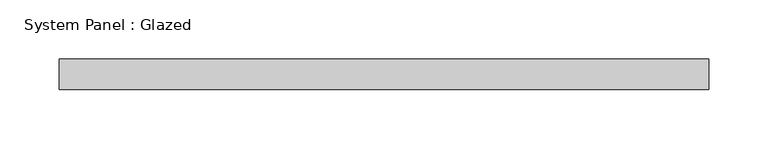
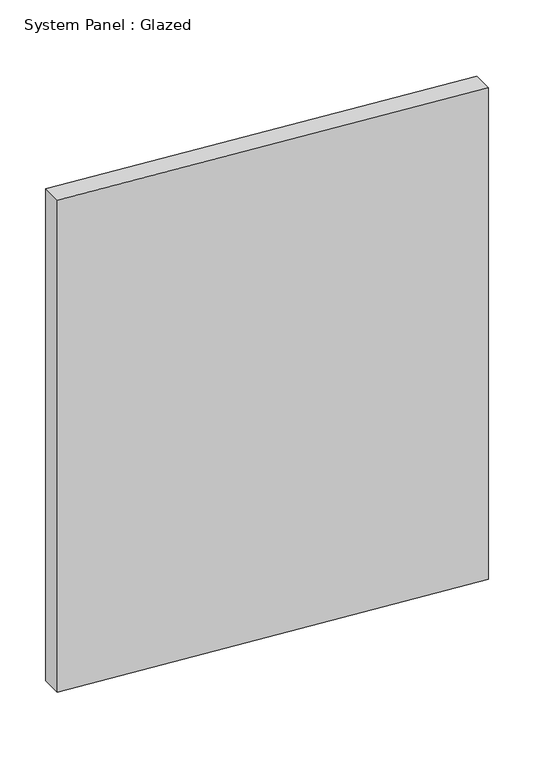
"""IFC4 building model written with IfcOpenShell, lengths in millimetres: plate geometry, System Panel : Glazed."""

import ifcopenshell
import ifcopenshell.guid

model = None  # the IFC model being written
_history = None  # IfcOwnerHistory: only IFC2X3 demands one
_inside = {}  # id of a spatial element -> (the spatial element, [elements in it])
_under = {}  # id of a project, library or spatial element -> (it, [spatial elements below it])
_declared = {}  # id of a project -> (the project, [libraries it declares])
_typed = {}  # id of a type object -> (the type object, [elements of that type])
_made_of = {}  # id of a material, layer set ... -> (it, [elements and type objects made of it])


def new_model(schema):
    """Start an empty IFC model of exactly this schema.

    Asked for "IFC4X3", IfcOpenShell would pick the latest addendum, in which some entities
    have other attributes; the version numbers below select the first issue.
    IFC2X3 requires an IfcOwnerHistory on every rooted entity: one is made here for all.
    """
    global model, _history
    if schema == "IFC4X3":
        model = ifcopenshell.file(schema_version=(4, 3, 0, 0))
    else:
        model = ifcopenshell.file(schema=schema)
    _inside.clear()
    _under.clear()
    _declared.clear()
    _typed.clear()
    _made_of.clear()
    _history = None
    if model.schema == "IFC2X3":
        org = make("IfcOrganization", Name="unknown")
        user = make(
            "IfcPersonAndOrganization",
            ThePerson=make("IfcPerson", FamilyName="unknown"),
            TheOrganization=org,
        )
        app = make(
            "IfcApplication",
            ApplicationDeveloper=org,
            Version="unknown",
            ApplicationFullName="unknown",
            ApplicationIdentifier="unknown",
        )
        _history = make(
            "IfcOwnerHistory",
            OwningUser=user,
            OwningApplication=app,
            ChangeAction="ADDED",
            CreationDate=0,
        )
    return model


def make(cls, **values):
    """One entity of the class cls with the attributes given. An attribute that is None is left unset."""
    return model.create_entity(
        cls, **{name: value for name, value in values.items() if value is not None}
    )


def rooted(cls, **values):
    """An entity with a GlobalId (a new one), such as an element, a storey or a relation."""
    return make(cls, GlobalId=ifcopenshell.guid.new(), OwnerHistory=_history, **values)


def si_unit(unit_type, name, prefix=None):
    """IfcSIUnit, for example si_unit("LENGTHUNIT", "METRE", prefix="MILLI")."""
    return make("IfcSIUnit", UnitType=unit_type, Prefix=prefix, Name=name)


def assignment(units):
    """IfcUnitAssignment: the units of a project."""
    return None if units is None else make("IfcUnitAssignment", Units=units)


def point(xyz):
    """IfcCartesianPoint."""
    return None if xyz is None else make("IfcCartesianPoint", Coordinates=xyz)


def direction(xyz):
    """IfcDirection."""
    return None if xyz is None else make("IfcDirection", DirectionRatios=xyz)


def frame(location, z_axis=None, x_axis=None):
    """IfcAxis2Placement3D, a coordinate frame: its origin and axes. An axis left out is left unset."""
    return make(
        "IfcAxis2Placement3D",
        Location=point(location),
        Axis=direction(z_axis),
        RefDirection=direction(x_axis),
    )


def origin():
    """The frame at (0, 0, 0) with its axes left unset."""
    return frame((0.0, 0.0, 0.0))


def place(relative_to, where):
    """IfcLocalPlacement: puts the frame where relative to a parent placement (None: the world)."""
    return make(
        "IfcLocalPlacement", PlacementRelTo=relative_to, RelativePlacement=where
    )


def context(
    kind, dimensions, precision=None, world=None, true_north=None, identifier=None
):
    """IfcGeometricRepresentationContext, for example the 3D "Model" context."""
    return make(
        "IfcGeometricRepresentationContext",
        ContextIdentifier=identifier,
        ContextType=kind,
        CoordinateSpaceDimension=dimensions,
        Precision=precision,
        WorldCoordinateSystem=world,
        TrueNorth=true_north,
    )


def project(units=None, contexts=None):
    """IfcProject with its units and contexts."""
    return rooted(
        "IfcProject",
        Name="project",
        RepresentationContexts=contexts,
        UnitsInContext=assignment(units),
    )


def spatial(cls, under=None, at=None, **own):
    """A site, building, storey or space (cls), placed at a placement, below another one or the project."""
    s = rooted(cls, ObjectPlacement=at, **own)
    if under is not None:
        _under.setdefault(under.id(), (under, []))[1].append(s)
    return s


def polyline(points):
    """IfcPolyline through the points."""
    return make("IfcPolyline", Points=[point(p) for p in points])


def outline(outer, holes=None, kind="AREA"):
    """IfcArbitraryClosedProfileDef: a profile drawn as a closed curve; with holes, ...WithVoids."""
    if holes is None:
        return make("IfcArbitraryClosedProfileDef", ProfileType=kind, OuterCurve=outer)
    return make(
        "IfcArbitraryProfileDefWithVoids",
        ProfileType=kind,
        OuterCurve=outer,
        InnerCurves=holes,
    )


def extrude(swept, where, along, depth):
    """IfcExtrudedAreaSolid: the profile swept, set in the frame where, extruded along a direction by depth."""
    return make(
        "IfcExtrudedAreaSolid",
        SweptArea=swept,
        Position=where,
        ExtrudedDirection=direction(along),
        Depth=depth,
    )


def shape(context_of_items, identifier, shape_type, items):
    """IfcShapeRepresentation: the items that make up one representation, for example the "Body"."""
    return make(
        "IfcShapeRepresentation",
        ContextOfItems=context_of_items,
        RepresentationIdentifier=identifier,
        RepresentationType=shape_type,
        Items=items,
    )


def source(mapping_origin, context_of_items, identifier, shape_type, items):
    """IfcRepresentationMap: a shape defined once, which mapped items show again and again."""
    return make(
        "IfcRepresentationMap",
        MappingOrigin=mapping_origin,
        MappedRepresentation=shape(context_of_items, identifier, shape_type, items),
    )


def transform(
    local_origin,
    x_axis=None,
    y_axis=None,
    z_axis=None,
    scale=None,
    scale2=None,
    scale3=None,
    uniform=True,
):
    """IfcCartesianTransformationOperator3D, or its non-uniform kind. x_axis, y_axis, z_axis: its Axis1, 2, 3."""
    if uniform:
        return make(
            "IfcCartesianTransformationOperator3D",
            Axis1=direction(x_axis),
            Axis2=direction(y_axis),
            LocalOrigin=point(local_origin),
            Scale=scale,
            Axis3=direction(z_axis),
        )
    return make(
        "IfcCartesianTransformationOperator3DnonUniform",
        Axis1=direction(x_axis),
        Axis2=direction(y_axis),
        LocalOrigin=point(local_origin),
        Scale=scale,
        Axis3=direction(z_axis),
        Scale2=scale2,
        Scale3=scale3,
    )


def mapped(mapping_source, mapping_target):
    """IfcMappedItem: shows the shape of a source again, moved by a transform."""
    return make(
        "IfcMappedItem", MappingSource=mapping_source, MappingTarget=mapping_target
    )


def made_of(thing, what):
    """Note that an element or type object is made of a material, layer set ...; save() writes the relation."""
    if what is not None:
        _made_of.setdefault(what.id(), (what, []))[1].append(thing)
    return thing


def element(
    cls,
    number,
    at=None,
    inside=None,
    cuts=None,
    type_object=None,
    material=None,
    context=None,
    identifier="Body",
    shape_type=None,
    held_by="IfcProductDefinitionShape",
    body=None,
    shapes=None,
    **own,
):
    """One element of the class cls, such as IfcWall. Its Tag is "e" and its number.

    at: its placement. inside: the storey or other place that contains it. cuts: it is an
    opening in that element (IfcRelVoidsElement). A single representation is given by context,
    identifier, shape_type and body (its items); several are given by shapes. held_by: the class
    of the entity that holds the representations. save() writes the other relations.
    """
    e = rooted(cls, Tag="e%d" % number, ObjectPlacement=at, **own)
    if body is not None:
        shapes = [shape(context, identifier, shape_type, body)]
    if shapes is not None:
        e.Representation = make(held_by, Representations=shapes)
    if inside is not None:
        _inside.setdefault(inside.id(), (inside, []))[1].append(e)
    if cuts is not None:
        rooted(
            "IfcRelVoidsElement", RelatingBuildingElement=cuts, RelatedOpeningElement=e
        )
    if type_object is not None:
        _typed.setdefault(type_object.id(), (type_object, []))[1].append(e)
    return made_of(e, material)


def aggregate(whole, parts):
    """IfcRelAggregates: a whole, such as a stair, and the parts it consists of."""
    return rooted("IfcRelAggregates", RelatingObject=whole, RelatedObjects=parts)


def save(model, path):
    """Write the relations noted so far, then the file.

    IfcRelAggregates (storeys below a building ...), IfcRelContainedInSpatialStructure (elements
    in a storey), IfcRelDefinesByType, IfcRelAssociatesMaterial and IfcRelDeclares: one each for
    every whole, place, type object, material and project.
    """
    for whole, parts in _under.values():
        aggregate(whole, parts)
    for where, things in _inside.values():
        rooted(
            "IfcRelContainedInSpatialStructure",
            RelatedElements=things,
            RelatingStructure=where,
        )
    for kind, things in _typed.values():
        rooted("IfcRelDefinesByType", RelatedObjects=things, RelatingType=kind)
    for what, things in _made_of.values():
        rooted("IfcRelAssociatesMaterial", RelatedObjects=things, RelatingMaterial=what)
    for by, libraries in _declared.values():
        rooted("IfcRelDeclares", RelatingContext=by, RelatedDefinitions=libraries)
    model.write(path)


def system_panel_glazed_1366455e(model_context):
    return source(origin(), model_context, "Body", "SweptSolid", [
        extrude(outline(polyline([(40.5434026, -273.05), (0.0, 273.05), (657.9243999, 273.05), (698.916097, -273.05), (40.5434026, -273.05)])), frame((0.0, 19.05, 0.0), z_axis=(0.0, 1.0, 0.0), x_axis=(0.0, 0.0, 1.0)), (0.0, 0.0, 1.0), 25.4),
    ])


if __name__ == "__main__":
    model = new_model("IFC4")
    model_context = context("Model", 3, world=origin())
    ifc_project = project(units=[si_unit("LENGTHUNIT", "METRE", prefix="MILLI")], contexts=[model_context])
    site = spatial("IfcSite", under=ifc_project)
    building = spatial("IfcBuilding", under=site)
    placement = place(None, origin())
    system_panel_glazed_shape = system_panel_glazed_1366455e(model_context)
    element("IfcPlate", 1, ObjectType="System Panel : Glazed", at=placement, inside=building, context=model_context, shape_type="MappedRepresentation", body=[
        mapped(system_panel_glazed_shape, transform((0.0, 0.0, 0.0), x_axis=(1.0, 0.0, 0.0), y_axis=(0.0, 1.0, 0.0), z_axis=(0.0, 0.0, 1.0))),
    ])
    save(model, "model.ifc")
